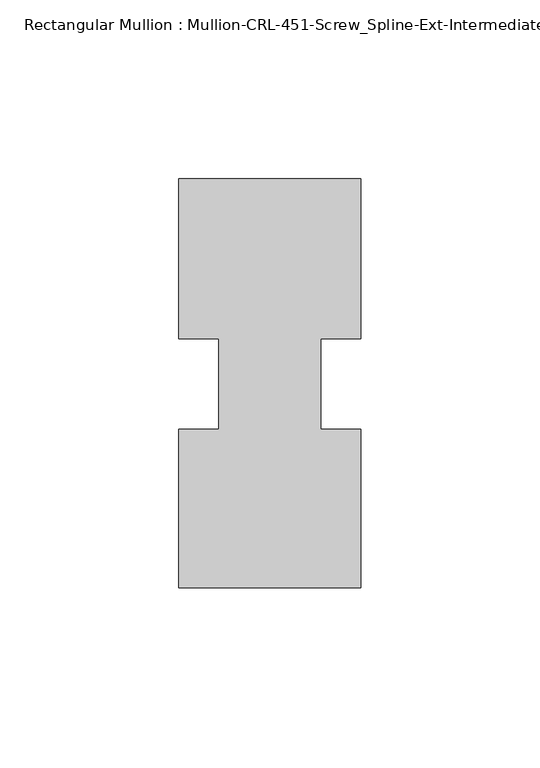
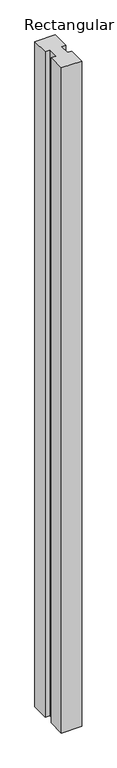
"""IFC4 building model written with IfcOpenShell, lengths in millimetres: member geometry, Rectangular Mullion : Mullion-CRL-451-Screw_Spline-Ext-Intermediate_Horizontal."""

import ifcopenshell
import ifcopenshell.guid

model = None  # the IFC model being written
_history = None  # IfcOwnerHistory: only IFC2X3 demands one
_inside = {}  # id of a spatial element -> (the spatial element, [elements in it])
_under = {}  # id of a project, library or spatial element -> (it, [spatial elements below it])
_declared = {}  # id of a project -> (the project, [libraries it declares])
_typed = {}  # id of a type object -> (the type object, [elements of that type])
_made_of = {}  # id of a material, layer set ... -> (it, [elements and type objects made of it])


def new_model(schema):
    """Start an empty IFC model of exactly this schema.

    Asked for "IFC4X3", IfcOpenShell would pick the latest addendum, in which some entities
    have other attributes; the version numbers below select the first issue.
    IFC2X3 requires an IfcOwnerHistory on every rooted entity: one is made here for all.
    """
    global model, _history
    if schema == "IFC4X3":
        model = ifcopenshell.file(schema_version=(4, 3, 0, 0))
    else:
        model = ifcopenshell.file(schema=schema)
    _inside.clear()
    _under.clear()
    _declared.clear()
    _typed.clear()
    _made_of.clear()
    _history = None
    if model.schema == "IFC2X3":
        org = make("IfcOrganization", Name="unknown")
        user = make(
            "IfcPersonAndOrganization",
            ThePerson=make("IfcPerson", FamilyName="unknown"),
            TheOrganization=org,
        )
        app = make(
            "IfcApplication",
            ApplicationDeveloper=org,
            Version="unknown",
            ApplicationFullName="unknown",
            ApplicationIdentifier="unknown",
        )
        _history = make(
            "IfcOwnerHistory",
            OwningUser=user,
            OwningApplication=app,
            ChangeAction="ADDED",
            CreationDate=0,
        )
    return model


def make(cls, **values):
    """One entity of the class cls with the attributes given. An attribute that is None is left unset."""
    return model.create_entity(
        cls, **{name: value for name, value in values.items() if value is not None}
    )


def rooted(cls, **values):
    """An entity with a GlobalId (a new one), such as an element, a storey or a relation."""
    return make(cls, GlobalId=ifcopenshell.guid.new(), OwnerHistory=_history, **values)


def si_unit(unit_type, name, prefix=None):
    """IfcSIUnit, for example si_unit("LENGTHUNIT", "METRE", prefix="MILLI")."""
    return make("IfcSIUnit", UnitType=unit_type, Prefix=prefix, Name=name)


def assignment(units):
    """IfcUnitAssignment: the units of a project."""
    return None if units is None else make("IfcUnitAssignment", Units=units)


def point(xyz):
    """IfcCartesianPoint."""
    return None if xyz is None else make("IfcCartesianPoint", Coordinates=xyz)


def direction(xyz):
    """IfcDirection."""
    return None if xyz is None else make("IfcDirection", DirectionRatios=xyz)


def frame(location, z_axis=None, x_axis=None):
    """IfcAxis2Placement3D, a coordinate frame: its origin and axes. An axis left out is left unset."""
    return make(
        "IfcAxis2Placement3D",
        Location=point(location),
        Axis=direction(z_axis),
        RefDirection=direction(x_axis),
    )


def origin():
    """The frame at (0, 0, 0) with its axes left unset."""
    return frame((0.0, 0.0, 0.0))


def place(relative_to, where):
    """IfcLocalPlacement: puts the frame where relative to a parent placement (None: the world)."""
    return make(
        "IfcLocalPlacement", PlacementRelTo=relative_to, RelativePlacement=where
    )


def context(
    kind, dimensions, precision=None, world=None, true_north=None, identifier=None
):
    """IfcGeometricRepresentationContext, for example the 3D "Model" context."""
    return make(
        "IfcGeometricRepresentationContext",
        ContextIdentifier=identifier,
        ContextType=kind,
        CoordinateSpaceDimension=dimensions,
        Precision=precision,
        WorldCoordinateSystem=world,
        TrueNorth=true_north,
    )


def project(units=None, contexts=None):
    """IfcProject with its units and contexts."""
    return rooted(
        "IfcProject",
        Name="project",
        RepresentationContexts=contexts,
        UnitsInContext=assignment(units),
    )


def spatial(cls, under=None, at=None, **own):
    """A site, building, storey or space (cls), placed at a placement, below another one or the project."""
    s = rooted(cls, ObjectPlacement=at, **own)
    if under is not None:
        _under.setdefault(under.id(), (under, []))[1].append(s)
    return s


def polyline(points):
    """IfcPolyline through the points."""
    return make("IfcPolyline", Points=[point(p) for p in points])


def outline(outer, holes=None, kind="AREA"):
    """IfcArbitraryClosedProfileDef: a profile drawn as a closed curve; with holes, ...WithVoids."""
    if holes is None:
        return make("IfcArbitraryClosedProfileDef", ProfileType=kind, OuterCurve=outer)
    return make(
        "IfcArbitraryProfileDefWithVoids",
        ProfileType=kind,
        OuterCurve=outer,
        InnerCurves=holes,
    )


def extrude(swept, where, along, depth):
    """IfcExtrudedAreaSolid: the profile swept, set in the frame where, extruded along a direction by depth."""
    return make(
        "IfcExtrudedAreaSolid",
        SweptArea=swept,
        Position=where,
        ExtrudedDirection=direction(along),
        Depth=depth,
    )


def shape(context_of_items, identifier, shape_type, items):
    """IfcShapeRepresentation: the items that make up one representation, for example the "Body"."""
    return make(
        "IfcShapeRepresentation",
        ContextOfItems=context_of_items,
        RepresentationIdentifier=identifier,
        RepresentationType=shape_type,
        Items=items,
    )


def source(mapping_origin, context_of_items, identifier, shape_type, items):
    """IfcRepresentationMap: a shape defined once, which mapped items show again and again."""
    return make(
        "IfcRepresentationMap",
        MappingOrigin=mapping_origin,
        MappedRepresentation=shape(context_of_items, identifier, shape_type, items),
    )


def transform(
    local_origin,
    x_axis=None,
    y_axis=None,
    z_axis=None,
    scale=None,
    scale2=None,
    scale3=None,
    uniform=True,
):
    """IfcCartesianTransformationOperator3D, or its non-uniform kind. x_axis, y_axis, z_axis: its Axis1, 2, 3."""
    if uniform:
        return make(
            "IfcCartesianTransformationOperator3D",
            Axis1=direction(x_axis),
            Axis2=direction(y_axis),
            LocalOrigin=point(local_origin),
            Scale=scale,
            Axis3=direction(z_axis),
        )
    return make(
        "IfcCartesianTransformationOperator3DnonUniform",
        Axis1=direction(x_axis),
        Axis2=direction(y_axis),
        LocalOrigin=point(local_origin),
        Scale=scale,
        Axis3=direction(z_axis),
        Scale2=scale2,
        Scale3=scale3,
    )


def mapped(mapping_source, mapping_target):
    """IfcMappedItem: shows the shape of a source again, moved by a transform."""
    return make(
        "IfcMappedItem", MappingSource=mapping_source, MappingTarget=mapping_target
    )


def made_of(thing, what):
    """Note that an element or type object is made of a material, layer set ...; save() writes the relation."""
    if what is not None:
        _made_of.setdefault(what.id(), (what, []))[1].append(thing)
    return thing


def element(
    cls,
    number,
    at=None,
    inside=None,
    cuts=None,
    type_object=None,
    material=None,
    context=None,
    identifier="Body",
    shape_type=None,
    held_by="IfcProductDefinitionShape",
    body=None,
    shapes=None,
    **own,
):
    """One element of the class cls, such as IfcWall. Its Tag is "e" and its number.

    at: its placement. inside: the storey or other place that contains it. cuts: it is an
    opening in that element (IfcRelVoidsElement). A single representation is given by context,
    identifier, shape_type and body (its items); several are given by shapes. held_by: the class
    of the entity that holds the representations. save() writes the other relations.
    """
    e = rooted(cls, Tag="e%d" % number, ObjectPlacement=at, **own)
    if body is not None:
        shapes = [shape(context, identifier, shape_type, body)]
    if shapes is not None:
        e.Representation = make(held_by, Representations=shapes)
    if inside is not None:
        _inside.setdefault(inside.id(), (inside, []))[1].append(e)
    if cuts is not None:
        rooted(
            "IfcRelVoidsElement", RelatingBuildingElement=cuts, RelatedOpeningElement=e
        )
    if type_object is not None:
        _typed.setdefault(type_object.id(), (type_object, []))[1].append(e)
    return made_of(e, material)


def aggregate(whole, parts):
    """IfcRelAggregates: a whole, such as a stair, and the parts it consists of."""
    return rooted("IfcRelAggregates", RelatingObject=whole, RelatedObjects=parts)


def save(model, path):
    """Write the relations noted so far, then the file.

    IfcRelAggregates (storeys below a building ...), IfcRelContainedInSpatialStructure (elements
    in a storey), IfcRelDefinesByType, IfcRelAssociatesMaterial and IfcRelDeclares: one each for
    every whole, place, type object, material and project.
    """
    for whole, parts in _under.values():
        aggregate(whole, parts)
    for where, things in _inside.values():
        rooted(
            "IfcRelContainedInSpatialStructure",
            RelatedElements=things,
            RelatingStructure=where,
        )
    for kind, things in _typed.values():
        rooted("IfcRelDefinesByType", RelatedObjects=things, RelatingType=kind)
    for what, things in _made_of.values():
        rooted("IfcRelAssociatesMaterial", RelatedObjects=things, RelatingMaterial=what)
    for by, libraries in _declared.values():
        rooted("IfcRelDeclares", RelatingContext=by, RelatedDefinitions=libraries)
    model.write(path)


def rectangular_mullion_mullion_crl_451_screw_spline_ext_d13f4370(model_context):
    return source(origin(), model_context, "Body", "SweptSolid", [
        extrude(outline(polyline([(25.4, -57.15), (-25.4, -57.15), (-25.4, -12.8430761), (-14.2875, -12.8430761), (-14.2875, 12.5476134), (-25.4, 12.5476134), (-25.4, 57.15), (25.4, 57.15), (25.4, 12.5476134), (14.2875, 12.5476134), (14.2875, -12.8430761), (25.4, -12.8430761), (25.4, -57.15)])), frame((0.0, 0.0, -1752.6), z_axis=(0.0, 0.0, 1.0), x_axis=(1.0, 0.0, 0.0)), (0.0, 0.0, 1.0), 1752.6),
    ])


if __name__ == "__main__":
    model = new_model("IFC4")
    model_context = context("Model", 3, world=origin())
    ifc_project = project(units=[si_unit("LENGTHUNIT", "METRE", prefix="MILLI")], contexts=[model_context])
    site = spatial("IfcSite", under=ifc_project)
    building = spatial("IfcBuilding", under=site)
    placement = place(None, origin())
    rectangular_mullion_mullion_crl_451_screw_spline_ext_shape = rectangular_mullion_mullion_crl_451_screw_spline_ext_d13f4370(model_context)
    element("IfcMember", 1, ObjectType="Rectangular Mullion : Mullion-CRL-451-Screw_Spline-Ext-Intermediate_Horizontal", at=placement, inside=building, context=model_context, shape_type="MappedRepresentation", body=[
        mapped(rectangular_mullion_mullion_crl_451_screw_spline_ext_shape, transform((0.0, 0.0, 0.0), x_axis=(1.0, 0.0, 0.0), y_axis=(0.0, 1.0, 0.0), z_axis=(0.0, 0.0, 1.0))),
    ])
    save(model, "model.ifc")
